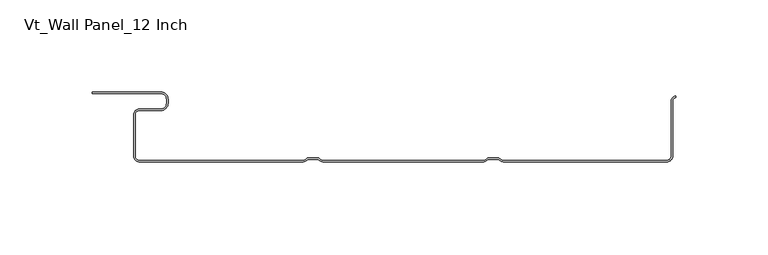
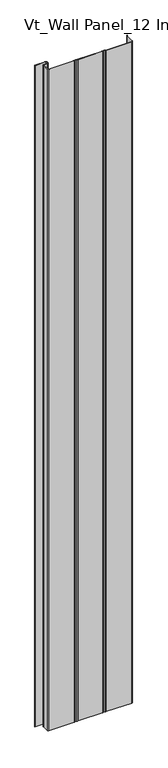
"""IFC4 building model written with IfcOpenShell, lengths in millimetres: plate geometry, Vt_Wall Panel_12 Inch."""

from ifc_helpers import new_model, si_unit, frame, origin, place, context, project, spatial, polyline, circle_curve, source, transform, mapped, element, save
from ifc_brep_helpers import plane_surface, cylinder_surface, revolved_surface, advanced_brep


def vt_wall_panel_12_inch_b2937ffd(model_context):
    return source(origin(), model_context, "Body", "AdvancedBrep", [
        advanced_brep(
        [(146.9999998, -2.2932813, 0.0), (146.9999998, -2.2932813, 2400.0), (146.9999998, -3.091468, 2400.0), (146.9999998, -3.0941956, 0.0), (54.3842702, -38.0, 0.0), (50.6917921, -36.50775, 0.0), (45.3771137, -36.50775, 0.0), (41.6846356, -38.0, 0.0), (-43.4228357, -38.0, 0.0), (-47.1153139, -36.50775, 0.0), (-52.4299923, -36.50775, 0.0), (-56.1224704, -38.0, 0.0), (-143.7611698, -38.0, 0.0), (-147.0542798, -34.70689, 0.0), (-147.0542798, -12.42347, 0.0), (-143.8792798, -9.24847, 0.0), (-132.3470448, -9.24847, 0.0), (-129.1720448, -6.07347, 0.0), (-129.1720448, -3.975, 0.0), (-132.3470448, -0.8, 0.0), (-169.5351848, -0.8, 0.0), (-169.5351848, 0.0, 0.0), (-132.3470448, 0.0, 0.0), (-128.3720448, -3.975, 0.0), (-128.3720448, -6.07347, 0.0), (-132.3470448, -10.04847, 0.0), (-143.8792798, -10.04847, 0.0), (-146.2542798, -12.42347, 0.0), (-146.2542798, -34.70689, 0.0), (-143.7611698, -37.2, 0.0), (-56.1224704, -37.2, 0.0), (-52.7688463, -35.70775, 0.0), (-46.7764599, -35.70775, 0.0), (-43.4228357, -37.2, 0.0), (41.6846356, -37.2, 0.0), (45.0382597, -35.70775, 0.0), (51.0306461, -35.70775, 0.0), (54.3842702, -37.2, 0.0), (142.0248542, -37.2, 0.0), (144.5179642, -34.70689, 0.0), (144.5179642, -4.6804414, 0.0), (145.3179642, -4.6804414, 0.0), (145.3179642, -34.70689, 0.0), (142.0248542, -38.0, 0.0), (54.3842702, -38.0, 2400.0), (142.0248542, -38.0, 2400.0), (145.3179642, -34.70689, 2400.0), (145.3179642, -4.6804414, 2400.0), (144.5179642, -4.6804414, 2400.0), (144.5179642, -34.70689, 2400.0), (142.0248542, -37.2, 2400.0), (54.3842702, -37.2, 2400.0), (51.0306461, -35.70775, 2400.0), (45.0382597, -35.70775, 2400.0), (41.6846356, -37.2, 2400.0), (-43.4228357, -37.2, 2400.0), (-46.7764599, -35.70775, 2400.0), (-52.7688463, -35.70775, 2400.0), (-56.1224704, -37.2, 2400.0), (-143.7611698, -37.2, 2400.0), (-146.2542798, -34.70689, 2400.0), (-146.2542798, -12.42347, 2400.0), (-143.8792798, -10.04847, 2400.0), (-132.3470448, -10.04847, 2400.0), (-128.3720448, -6.07347, 2400.0), (-128.3720448, -3.975, 2400.0), (-132.3470448, 0.0, 2400.0), (-169.5351848, 0.0, 2400.0), (-169.5351848, -0.8, 2400.0), (-132.3470448, -0.8, 2400.0), (-129.1720448, -3.975, 2400.0), (-129.1720448, -6.07347, 2400.0), (-132.3470448, -9.24847, 2400.0), (-143.8792798, -9.24847, 2400.0), (-147.0542798, -12.42347, 2400.0), (-147.0542798, -34.70689, 2400.0), (-143.7611698, -38.0, 2400.0), (-56.1224704, -38.0, 2400.0), (-52.4299923, -36.50775, 2400.0), (-47.1153139, -36.50775, 2400.0), (-43.4228357, -38.0, 2400.0), (41.6846356, -38.0, 2400.0), (45.3771137, -36.50775, 2400.0), (50.6917921, -36.50775, 2400.0)],
        [
            (0, 1),
            (1, 2),
            (2, 3),
            (3, 0),
            (4, 5, circle_curve(frame((54.3842702, -32.6854733, 0.0), z_axis=(0.0, 0.0, -1.0), x_axis=(0.0, 1.0, 0.0)), 5.3145267)),
            (5, 6),
            (6, 7, circle_curve(frame((41.6846356, -32.6854733, 0.0), z_axis=(0.0, 0.0, -1.0), x_axis=(0.0, 1.0, 0.0)), 5.3145267)),
            (7, 8),
            (8, 9, circle_curve(frame((-43.4228357, -32.6854733, 0.0), z_axis=(0.0, 0.0, -1.0), x_axis=(0.0, 1.0, 0.0)), 5.3145267)),
            (9, 10),
            (10, 11, circle_curve(frame((-56.1224704, -32.6854733, 0.0), z_axis=(0.0, 0.0, -1.0), x_axis=(0.0, 1.0, 0.0)), 5.3145267)),
            (11, 12),
            (12, 13, circle_curve(frame((-143.7611698, -34.70689, 0.0), z_axis=(0.0, 0.0, -1.0), x_axis=(0.0, 1.0, 0.0)), 3.29311)),
            (13, 14),
            (14, 15, circle_curve(frame((-143.8792798, -12.42347, 0.0), z_axis=(0.0, 0.0, -1.0), x_axis=(0.0, 1.0, 0.0)), 3.175)),
            (15, 16),
            (16, 17, circle_curve(frame((-132.3470448, -6.07347, 0.0), z_axis=(0.0, 0.0, 1.0), x_axis=(0.0, 1.0, 0.0)), 3.175)),
            (17, 18),
            (18, 19, circle_curve(frame((-132.3470448, -3.975, 0.0), z_axis=(0.0, 0.0, 1.0), x_axis=(0.0, 1.0, 0.0)), 3.175)),
            (19, 20),
            (20, 21),
            (21, 22),
            (22, 23, circle_curve(frame((-132.3470448, -3.975, 0.0), z_axis=(0.0, 0.0, -1.0), x_axis=(0.0, 1.0, 0.0)), 3.975)),
            (23, 24),
            (24, 25, circle_curve(frame((-132.3470448, -6.07347, 0.0), z_axis=(0.0, 0.0, -1.0), x_axis=(0.0, 1.0, 0.0)), 3.975)),
            (25, 26),
            (26, 27, circle_curve(frame((-143.8792798, -12.42347, 0.0), z_axis=(0.0, 0.0, 1.0), x_axis=(0.0, 1.0, 0.0)), 2.375)),
            (27, 28),
            (28, 29, circle_curve(frame((-143.7611698, -34.70689, 0.0), z_axis=(0.0, 0.0, 1.0), x_axis=(0.0, 1.0, 0.0)), 2.49311)),
            (29, 30),
            (30, 31, circle_curve(frame((-56.1224704, -32.6854733, 0.0), z_axis=(0.0, 0.0, 1.0), x_axis=(0.0, 1.0, 0.0)), 4.5145267)),
            (31, 32),
            (32, 33, circle_curve(frame((-43.4228357, -32.6854733, 0.0), z_axis=(0.0, 0.0, 1.0), x_axis=(0.0, 1.0, 0.0)), 4.5145267)),
            (33, 34),
            (34, 35, circle_curve(frame((41.6846356, -32.6854733, 0.0), z_axis=(0.0, 0.0, 1.0), x_axis=(0.0, 1.0, 0.0)), 4.5145267)),
            (35, 36),
            (36, 37, circle_curve(frame((54.3842702, -32.6854733, 0.0), z_axis=(0.0, 0.0, 1.0), x_axis=(0.0, 1.0, 0.0)), 4.5145267)),
            (37, 38),
            (38, 39, circle_curve(frame((142.0248542, -34.70689, 0.0), z_axis=(0.0, 0.0, 1.0), x_axis=(0.0, 1.0, 0.0)), 2.49311)),
            (39, 40),
            (40, 0, circle_curve(frame((146.9069376, -4.6804414, 0.0), z_axis=(0.0, 0.0, -1.0), x_axis=(0.0, 1.0, 0.0)), 2.3889734)),
            (3, 41, circle_curve(frame((146.9069376, -4.6804414, 0.0), z_axis=(0.0, 0.0, 1.0), x_axis=(0.0, 1.0, 0.0)), 1.5889734)),
            (41, 42),
            (42, 43, circle_curve(frame((142.0248542, -34.70689, 0.0), z_axis=(0.0, 0.0, -1.0), x_axis=(0.0, 1.0, 0.0)), 3.29311)),
            (43, 4),
            (44, 45),
            (45, 46, circle_curve(frame((142.0248542, -34.70689, 2400.0), z_axis=(0.0, 0.0, 1.0), x_axis=(0.0, 1.0, 0.0)), 3.29311)),
            (46, 47),
            (47, 2, circle_curve(frame((146.9069376, -4.6804414, 2400.0), z_axis=(0.0, 0.0, -1.0), x_axis=(0.0, 1.0, 0.0)), 1.5889734)),
            (1, 48, circle_curve(frame((146.9069376, -4.6804414, 2400.0), z_axis=(0.0, 0.0, 1.0), x_axis=(0.0, 1.0, 0.0)), 2.3889734)),
            (48, 49),
            (49, 50, circle_curve(frame((142.0248542, -34.70689, 2400.0), z_axis=(0.0, 0.0, -1.0), x_axis=(0.0, 1.0, 0.0)), 2.49311)),
            (50, 51),
            (51, 52, circle_curve(frame((54.3842702, -32.6854733, 2400.0), z_axis=(0.0, 0.0, -1.0), x_axis=(0.0, 1.0, 0.0)), 4.5145267)),
            (52, 53),
            (53, 54, circle_curve(frame((41.6846356, -32.6854733, 2400.0), z_axis=(0.0, 0.0, -1.0), x_axis=(0.0, 1.0, 0.0)), 4.5145267)),
            (54, 55),
            (55, 56, circle_curve(frame((-43.4228357, -32.6854733, 2400.0), z_axis=(0.0, 0.0, -1.0), x_axis=(0.0, 1.0, 0.0)), 4.5145267)),
            (56, 57),
            (57, 58, circle_curve(frame((-56.1224704, -32.6854733, 2400.0), z_axis=(0.0, 0.0, -1.0), x_axis=(0.0, 1.0, 0.0)), 4.5145267)),
            (58, 59),
            (59, 60, circle_curve(frame((-143.7611698, -34.70689, 2400.0), z_axis=(0.0, 0.0, -1.0), x_axis=(0.0, 1.0, 0.0)), 2.49311)),
            (60, 61),
            (61, 62, circle_curve(frame((-143.8792798, -12.42347, 2400.0), z_axis=(0.0, 0.0, -1.0), x_axis=(0.0, 1.0, 0.0)), 2.375)),
            (62, 63),
            (63, 64, circle_curve(frame((-132.3470448, -6.07347, 2400.0), z_axis=(0.0, 0.0, 1.0), x_axis=(0.0, 1.0, 0.0)), 3.975)),
            (64, 65),
            (65, 66, circle_curve(frame((-132.3470448, -3.975, 2400.0), z_axis=(0.0, 0.0, 1.0), x_axis=(0.0, 1.0, 0.0)), 3.975)),
            (66, 67),
            (67, 68),
            (68, 69),
            (69, 70, circle_curve(frame((-132.3470448, -3.975, 2400.0), z_axis=(0.0, 0.0, -1.0), x_axis=(0.0, 1.0, 0.0)), 3.175)),
            (70, 71),
            (71, 72, circle_curve(frame((-132.3470448, -6.07347, 2400.0), z_axis=(0.0, 0.0, -1.0), x_axis=(0.0, 1.0, 0.0)), 3.175)),
            (72, 73),
            (73, 74, circle_curve(frame((-143.8792798, -12.42347, 2400.0), z_axis=(0.0, 0.0, 1.0), x_axis=(0.0, 1.0, 0.0)), 3.175)),
            (74, 75),
            (75, 76, circle_curve(frame((-143.7611698, -34.70689, 2400.0), z_axis=(0.0, 0.0, 1.0), x_axis=(0.0, 1.0, 0.0)), 3.29311)),
            (76, 77),
            (77, 78, circle_curve(frame((-56.1224704, -32.6854733, 2400.0), z_axis=(0.0, 0.0, 1.0), x_axis=(0.0, 1.0, 0.0)), 5.3145267)),
            (78, 79),
            (79, 80, circle_curve(frame((-43.4228357, -32.6854733, 2400.0), z_axis=(0.0, 0.0, 1.0), x_axis=(0.0, 1.0, 0.0)), 5.3145267)),
            (80, 81),
            (81, 82, circle_curve(frame((41.6846356, -32.6854733, 2400.0), z_axis=(0.0, 0.0, 1.0), x_axis=(0.0, 1.0, 0.0)), 5.3145267)),
            (82, 83),
            (83, 44, circle_curve(frame((54.3842702, -32.6854733, 2400.0), z_axis=(0.0, 0.0, 1.0), x_axis=(0.0, 1.0, 0.0)), 5.3145267)),
            (43, 45),
            (44, 4),
            (37, 51),
            (50, 38),
            (36, 52),
            (35, 53),
            (34, 54),
            (33, 55),
            (32, 56),
            (31, 57),
            (30, 58),
            (29, 59),
            (28, 60),
            (27, 61),
            (26, 62),
            (25, 63),
            (24, 64),
            (23, 65),
            (22, 66),
            (21, 67),
            (20, 68),
            (19, 69),
            (18, 70),
            (17, 71),
            (16, 72),
            (15, 73),
            (14, 74),
            (13, 75),
            (12, 76),
            (11, 77),
            (10, 78),
            (9, 79),
            (8, 80),
            (7, 81),
            (6, 82),
            (5, 83),
            (42, 46),
            (41, 47),
            (40, 48),
            (39, 49),
        ],
        [
            plane_surface(frame((146.9999998, -40.0, 2400.0), z_axis=(1.0, 0.0, 0.0), x_axis=(0.0, 0.0, -1.0))),
            plane_surface(frame((5.4457202, -38.0, 0.0), z_axis=(0.0, 0.0, -1.0), x_axis=(1.0, 0.0, 0.0))),
            plane_surface(frame((5.4457202, -38.0, 2400.0), z_axis=(0.0, 0.0, 1.0), x_axis=(1.0, 0.0, 0.0))),
            plane_surface(frame((54.3842702, -38.0, 0.0), z_axis=(0.0, -1.0, 0.0), x_axis=(0.0, 0.0, 1.0))),
            plane_surface(frame((142.0248542, -37.2, 0.0), z_axis=(0.0, 1.0, 0.0), x_axis=(0.0, 0.0, 1.0))),
            revolved_surface(polyline([(54.3842702, -28.170946599999997, 2400.0), (54.3842702, -28.170946599999997, 0.0)]), (54.3842702, -32.6854733, 0.0), (0.0, 0.0, 1.0)),
            plane_surface(frame((51.0306461, -35.70775, 0.0), z_axis=(0.0, 1.0, 0.0), x_axis=(0.0, 0.0, 1.0))),
            revolved_surface(polyline([(41.6846356, -28.170946599999997, 2400.0), (41.6846356, -28.170946599999997, 0.0)]), (41.6846356, -32.6854733, 0.0), (0.0, 0.0, 1.0)),
            plane_surface(frame((41.6846356, -37.2, 0.0), z_axis=(0.0, 1.0, 0.0), x_axis=(0.0, 0.0, 1.0))),
            revolved_surface(polyline([(-43.4228357, -28.170946599999997, 2400.0), (-43.4228357, -28.170946599999997, 0.0)]), (-43.4228357, -32.6854733, 0.0), (0.0, 0.0, 1.0)),
            plane_surface(frame((-46.7764599, -35.70775, 0.0), z_axis=(0.0, 1.0, 0.0), x_axis=(0.0, 0.0, 1.0))),
            revolved_surface(polyline([(-56.1224704, -28.170946599999997, 2400.0), (-56.1224704, -28.170946599999997, 0.0)]), (-56.1224704, -32.6854733, 0.0), (0.0, 0.0, 1.0)),
            plane_surface(frame((-56.1224704, -37.2, 0.0), z_axis=(0.0, 1.0, 0.0), x_axis=(0.0, 0.0, 1.0))),
            revolved_surface(polyline([(-143.7611698, -32.21378, 2400.0), (-143.7611698, -32.21378, 0.0)]), (-143.7611698, -34.70689, 0.0), (0.0, 0.0, 1.0)),
            plane_surface(frame((-146.2542798, -34.70689, 0.0), z_axis=(1.0, 0.0, 0.0), x_axis=(0.0, 0.0, 1.0))),
            revolved_surface(polyline([(-143.8792798, -10.04847, 2400.0), (-143.8792798, -10.04847, 0.0)]), (-143.8792798, -12.42347, 0.0), (0.0, 0.0, 1.0)),
            plane_surface(frame((-143.8792798, -10.04847, 0.0), z_axis=(0.0, -1.0, 0.0), x_axis=(0.0, 0.0, 1.0))),
            cylinder_surface(frame((-132.3470448, -6.07347, 0.0), z_axis=(0.0, 0.0, -1.0), x_axis=(0.0, 1.0, 0.0)), 3.975),
            plane_surface(frame((-128.3720448, -6.07347, 0.0), z_axis=(1.0, 0.0, 0.0), x_axis=(0.0, 0.0, 1.0))),
            cylinder_surface(frame((-132.3470448, -3.975, 0.0), z_axis=(0.0, 0.0, -1.0), x_axis=(0.0, 1.0, 0.0)), 3.975),
            plane_surface(frame((-132.3470448, 0.0, 0.0), z_axis=(0.0, 1.0, 0.0), x_axis=(0.0, 0.0, 1.0))),
            plane_surface(frame((-169.5351848, 0.0, 0.0), z_axis=(-1.0, 0.0, 0.0), x_axis=(0.0, 0.0, 1.0))),
            plane_surface(frame((-169.5351848, -0.8, 0.0), z_axis=(0.0, -1.0, 0.0), x_axis=(0.0, 0.0, 1.0))),
            revolved_surface(polyline([(-132.3470448, -0.8000000000000003, 2400.0), (-132.3470448, -0.8000000000000003, 0.0)]), (-132.3470448, -3.975, 0.0), (0.0, 0.0, 1.0)),
            plane_surface(frame((-129.1720448, -3.975, 0.0), z_axis=(-1.0, 0.0, 0.0), x_axis=(0.0, 0.0, 1.0))),
            revolved_surface(polyline([(-132.3470448, -2.8984700000000005, 2400.0), (-132.3470448, -2.8984700000000005, 0.0)]), (-132.3470448, -6.07347, 0.0), (0.0, 0.0, 1.0)),
            plane_surface(frame((-132.3470448, -9.24847, 0.0), z_axis=(0.0, 1.0, 0.0), x_axis=(0.0, 0.0, 1.0))),
            cylinder_surface(frame((-143.8792798, -12.42347, 0.0), z_axis=(0.0, 0.0, -1.0), x_axis=(0.0, 1.0, 0.0)), 3.175),
            plane_surface(frame((-147.0542798, -12.42347, 0.0), z_axis=(-1.0, 0.0, 0.0), x_axis=(0.0, 0.0, 1.0))),
            cylinder_surface(frame((-143.7611698, -34.70689, 0.0), z_axis=(0.0, 0.0, -1.0), x_axis=(0.0, 1.0, 0.0)), 3.29311),
            plane_surface(frame((-143.7611698, -38.0, 0.0), z_axis=(0.0, -1.0, 0.0), x_axis=(0.0, 0.0, 1.0))),
            cylinder_surface(frame((-56.1224704, -32.6854733, 0.0), z_axis=(0.0, 0.0, -1.0), x_axis=(0.0, 1.0, 0.0)), 5.3145267),
            plane_surface(frame((-52.4299923, -36.50775, 0.0), z_axis=(0.0, -1.0, 0.0), x_axis=(0.0, 0.0, 1.0))),
            cylinder_surface(frame((-43.4228357, -32.6854733, 0.0), z_axis=(0.0, 0.0, -1.0), x_axis=(0.0, 1.0, 0.0)), 5.3145267),
            plane_surface(frame((-43.4228357, -38.0, 0.0), z_axis=(0.0, -1.0, 0.0), x_axis=(0.0, 0.0, 1.0))),
            cylinder_surface(frame((41.6846356, -32.6854733, 0.0), z_axis=(0.0, 0.0, -1.0), x_axis=(0.0, 1.0, 0.0)), 5.3145267),
            plane_surface(frame((45.3771137, -36.50775, 0.0), z_axis=(0.0, -1.0, 0.0), x_axis=(0.0, 0.0, 1.0))),
            cylinder_surface(frame((54.3842702, -32.6854733, 0.0), z_axis=(0.0, 0.0, -1.0), x_axis=(0.0, 1.0, 0.0)), 5.3145267),
            cylinder_surface(frame((142.0248542, -34.70689, 0.0), z_axis=(0.0, 0.0, -1.0), x_axis=(0.0, 1.0, 0.0)), 3.29311),
            plane_surface(frame((145.3179642, -34.70689, 0.0), z_axis=(1.0, 0.0, 0.0), x_axis=(0.0, 0.0, 1.0))),
            revolved_surface(polyline([(146.9069376, -3.0914680000000003, 2400.0), (146.9069376, -3.0914680000000003, 0.0)]), (146.9069376, -4.6804414, 0.0), (0.0, 0.0, 1.0)),
            cylinder_surface(frame((146.9069376, -4.6804414, 0.0), z_axis=(0.0, 0.0, -1.0), x_axis=(0.0, 1.0, 0.0)), 2.3889734),
            plane_surface(frame((144.5179642, -4.6804414, 0.0), z_axis=(-1.0, 0.0, 0.0), x_axis=(0.0, 0.0, 1.0))),
            revolved_surface(polyline([(142.0248542, -32.21378, 2400.0), (142.0248542, -32.21378, 0.0)]), (142.0248542, -34.70689, 0.0), (0.0, 0.0, 1.0)),
        ],
        [
            (0, [[1, 2, 3, 4]]),
            (1, [[5, 6, 7, 8, 9, 10, 11, 12, 13, 14, 15, 16, 17, 18, 19, 20, 21, 22, 23, 24, 25, 26, 27, 28, 29, 30, 31, 32, 33, 34, 35, 36, 37, 38, 39, 40, 41, -4, 42, 43, 44, 45]]),
            (2, [[46, 47, 48, 49, -2, 50, 51, 52, 53, 54, 55, 56, 57, 58, 59, 60, 61, 62, 63, 64, 65, 66, 67, 68, 69, 70, 71, 72, 73, 74, 75, 76, 77, 78, 79, 80, 81, 82, 83, 84, 85, 86]]),
            (3, [[87, -46, 88, -45]]),
            (4, [[89, -53, 90, -38]]),
            (5, [[91, -54, -89, -37]]),
            (6, [[92, -55, -91, -36]]),
            (7, [[93, -56, -92, -35]]),
            (8, [[94, -57, -93, -34]]),
            (9, [[95, -58, -94, -33]]),
            (10, [[96, -59, -95, -32]]),
            (11, [[97, -60, -96, -31]]),
            (12, [[98, -61, -97, -30]]),
            (13, [[99, -62, -98, -29]]),
            (14, [[100, -63, -99, -28]]),
            (15, [[101, -64, -100, -27]]),
            (16, [[102, -65, -101, -26]]),
            (17, [[103, -66, -102, -25]]),
            (18, [[104, -67, -103, -24]]),
            (19, [[105, -68, -104, -23]]),
            (20, [[106, -69, -105, -22]]),
            (21, [[107, -70, -106, -21]]),
            (22, [[108, -71, -107, -20]]),
            (23, [[109, -72, -108, -19]]),
            (24, [[110, -73, -109, -18]]),
            (25, [[111, -74, -110, -17]]),
            (26, [[112, -75, -111, -16]]),
            (27, [[113, -76, -112, -15]]),
            (28, [[114, -77, -113, -14]]),
            (29, [[115, -78, -114, -13]]),
            (30, [[116, -79, -115, -12]]),
            (31, [[117, -80, -116, -11]]),
            (32, [[118, -81, -117, -10]]),
            (33, [[119, -82, -118, -9]]),
            (34, [[120, -83, -119, -8]]),
            (35, [[121, -84, -120, -7]]),
            (36, [[122, -85, -121, -6]]),
            (37, [[-88, -86, -122, -5]]),
            (38, [[123, -47, -87, -44]]),
            (39, [[124, -48, -123, -43]]),
            (40, [[-3, -49, -124, -42]]),
            (41, [[125, -50, -1, -41]]),
            (42, [[126, -51, -125, -40]]),
            (43, [[-90, -52, -126, -39]]),
        ],
    ),
    ])


if __name__ == "__main__":
    model = new_model("IFC4")
    model_context = context("Model", 3, world=origin())
    ifc_project = project(units=[si_unit("LENGTHUNIT", "METRE", prefix="MILLI")], contexts=[model_context])
    site = spatial("IfcSite", under=ifc_project)
    building = spatial("IfcBuilding", under=site)
    placement = place(None, origin())
    vt_wall_panel_12_inch_shape = vt_wall_panel_12_inch_b2937ffd(model_context)
    element("IfcPlate", 1, ObjectType="Vt_Wall Panel_12 Inch", at=placement, inside=building, context=model_context, shape_type="MappedRepresentation", body=[
        mapped(vt_wall_panel_12_inch_shape, transform((0.0, 0.0, 0.0), x_axis=(1.0, 0.0, 0.0), y_axis=(0.0, 1.0, 0.0), z_axis=(0.0, 0.0, 1.0))),
    ])
    save(model, "model.ifc")
